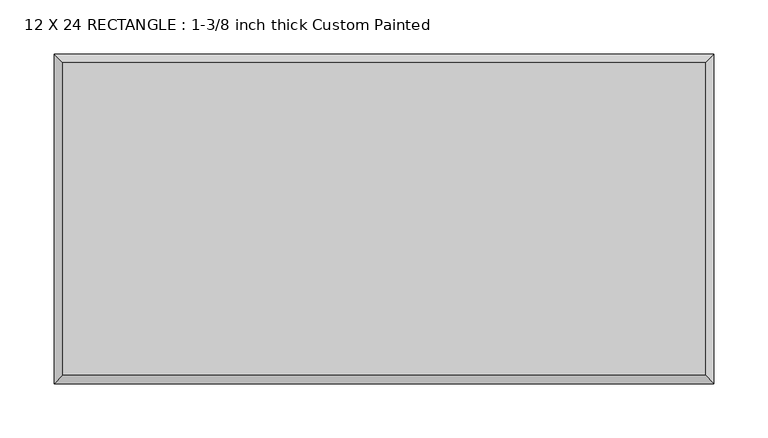
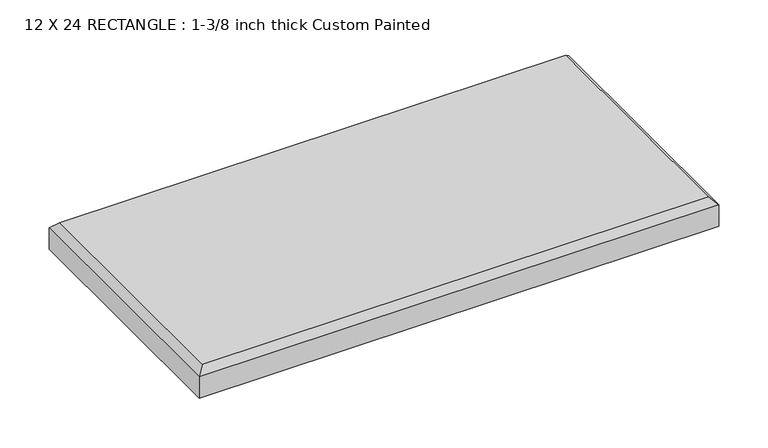
"""IFC4 building model written with IfcOpenShell, lengths in millimetres: proxy geometry, 12 X 24 RECTANGLE : 1-3/8 inch thick Custom Painted."""

from ifc_helpers import new_model, si_unit, origin, place, context, project, spatial, faceted_brep, source, transform, mapped, element, save


def proxy_12_x_24_rectangle_1_3_8_inch_thick_custom_painted_67486bff(model_context):
    return source(origin(), model_context, "Body", "Brep", [
        faceted_brep([(296.799, 144.399, 34.925), (-296.799, 144.399, 34.925), (-296.799, -144.399, 34.925), (296.799, -144.399, 34.925), (-304.8, 152.4, 0.0), (304.8, 152.4, 0.0), (304.8, -152.4, 0.0), (-304.8, -152.4, 0.0), (-304.8, -152.4, 26.924), (-304.8, 152.4, 26.924), (304.8, -152.4, 26.924), (304.8, 152.4, 26.924)], [[[0, 1, 2, 3]], [[4, 5, 6, 7]], [[4, 7, 8, 9]], [[7, 6, 10, 8]], [[6, 5, 11, 10]], [[5, 4, 9, 11]], [[9, 1, 0, 11]], [[1, 9, 8, 2]], [[2, 8, 10, 3]], [[11, 0, 3, 10]]]),
    ])


if __name__ == "__main__":
    model = new_model("IFC4")
    model_context = context("Model", 3, world=origin())
    ifc_project = project(units=[si_unit("LENGTHUNIT", "METRE", prefix="MILLI")], contexts=[model_context])
    site = spatial("IfcSite", under=ifc_project)
    building = spatial("IfcBuilding", under=site)
    placement = place(None, origin())
    proxy_12_x_24_rectangle_1_3_8_inch_thick_custom_painted_shape = proxy_12_x_24_rectangle_1_3_8_inch_thick_custom_painted_67486bff(model_context)
    element("IfcBuildingElementProxy", 1, Name="12 X 24 RECTANGLE : 1-3/8 inch thick Custom Painted", ObjectType="12 X 24 RECTANGLE : 1-3/8 inch thick Custom Painted", at=placement, inside=building, context=model_context, shape_type="MappedRepresentation", body=[
        mapped(proxy_12_x_24_rectangle_1_3_8_inch_thick_custom_painted_shape, transform((0.0, 0.0, 0.0), x_axis=(1.0, 0.0, 0.0), y_axis=(0.0, 1.0, 0.0), z_axis=(0.0, 0.0, 1.0))),
    ])
    save(model, "model.ifc")
